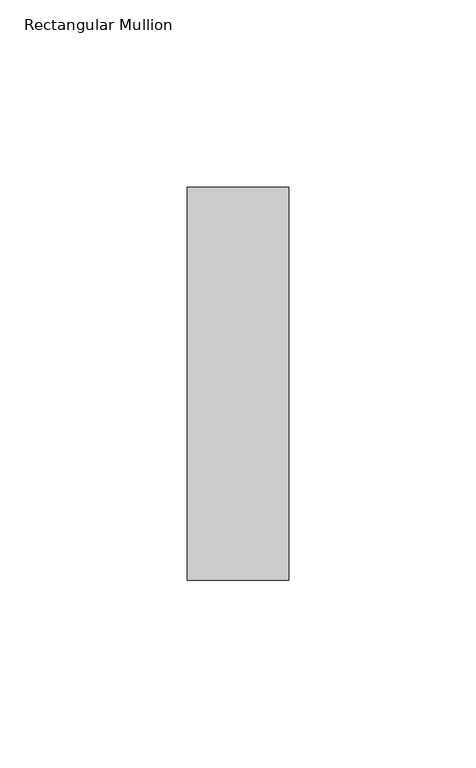
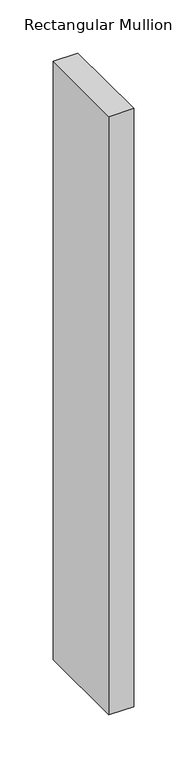
"""IFC4 building model written with IfcOpenShell, lengths in millimetres: member geometry, Rectangular Mullion."""

from ifc_helpers import new_model, si_unit, frame, origin, place, context, project, spatial, polyline, outline, extrude, source, transform, mapped, element, save


def rectangular_mullion_ef42abe1(model_context):
    return source(origin(), model_context, "Body", "SweptSolid", [
        extrude(outline(polyline([(0.0, 52.3975), (0.0, -52.3975), (-27.0, -52.3975), (-27.0, 52.3975), (0.0, 52.3975)])), frame((0.0, 0.0, -688.0), z_axis=(0.0, 0.0, 1.0), x_axis=(1.0, 0.0, 0.0)), (0.0, 0.0, 1.0), 688.0),
    ])


if __name__ == "__main__":
    model = new_model("IFC4")
    model_context = context("Model", 3, world=origin())
    ifc_project = project(units=[si_unit("LENGTHUNIT", "METRE", prefix="MILLI")], contexts=[model_context])
    site = spatial("IfcSite", under=ifc_project)
    building = spatial("IfcBuilding", under=site)
    placement = place(None, origin())
    rectangular_mullion_shape = rectangular_mullion_ef42abe1(model_context)
    element("IfcMember", 1, ObjectType="Rectangular Mullion", at=placement, inside=building, context=model_context, shape_type="MappedRepresentation", body=[
        mapped(rectangular_mullion_shape, transform((0.0, 0.0, 0.0), x_axis=(1.0, 0.0, 0.0), y_axis=(0.0, 1.0, 0.0), z_axis=(0.0, 0.0, 1.0))),
    ])
    save(model, "model.ifc")
